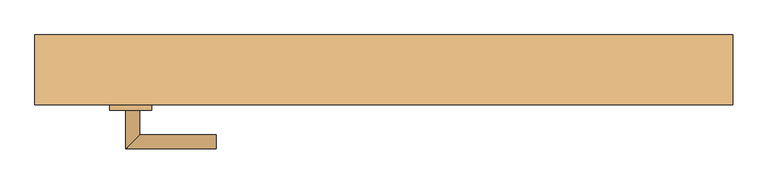
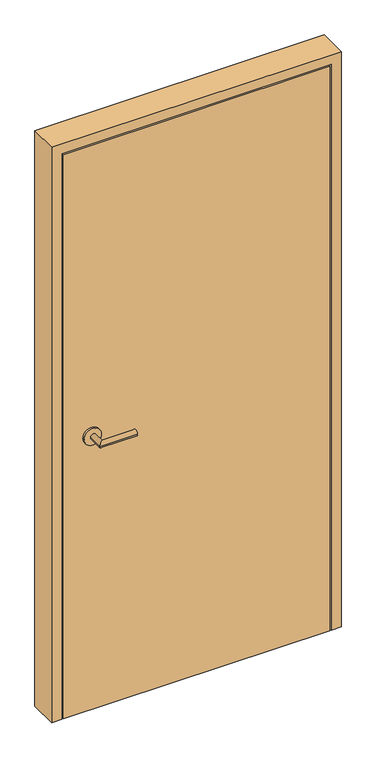
"""IFC4 building model written with IfcOpenShell, lengths in millimetres: door geometry."""

from ifc_helpers import new_model, si_unit, frame, origin, origin_with_axes, place, context, project, spatial, polyline, circle_curve, ellipse_curve, outline, extrude, faceted_brep, source, transform, mapped, element, save
from ifc_brep_helpers import plane_surface, cylinder_surface, advanced_brep


def door_35db22cd(model_context):
    return source(origin(), model_context, "Body", "SolidModel", [
        advanced_brep(
        [(-370.0, -107.0, 1000.0), (-370.0, -52.0, 1000.0), (-350.0, -72.0, 1000.0), (-350.0, -107.0, 1000.0), (-240.0, -52.0, 1000.0), (-240.0, -72.0, 1000.0), (-392.5, -107.0, 1000.0), (-332.5, -107.0, 1000.0), (-392.5, -115.0, 1000.0), (-332.5, -115.0, 1000.0)],
        [
            (0, 1),
            (1, 2, ellipse_curve(frame((-360.0, -62.0, 1000.0), z_axis=(-0.7071067811865561, -0.7071067811865388, 0.0), x_axis=(0.7071067811865388, -0.7071067811865562, 0.0)), 14.1421356, 10.0)),
            (2, 3),
            (3, 0, circle_curve(frame((-360.0, -107.0, 1000.0), z_axis=(0.0, 1.0, 0.0), x_axis=(1.0, 0.0, 0.0)), 10.0)),
            (0, 3, circle_curve(frame((-360.0, -107.0, 1000.0), z_axis=(0.0, 1.0, 0.0), x_axis=(1.0, 0.0, 0.0)), 10.0)),
            (2, 1, ellipse_curve(frame((-360.0, -62.0, 1000.0), z_axis=(-0.7071067811865561, -0.7071067811865388, 0.0), x_axis=(0.7071067811865388, -0.7071067811865562, 0.0)), 14.1421356, 10.0)),
            (4, 5, circle_curve(frame((-240.0, -62.0, 1000.0), z_axis=(1.0, 0.0, 0.0), x_axis=(0.0, -1.0, 0.0)), 10.0)),
            (5, 4, circle_curve(frame((-240.0, -62.0, 1000.0), z_axis=(1.0, 0.0, 0.0), x_axis=(0.0, -1.0, 0.0)), 10.0)),
            (1, 4),
            (5, 2),
            (6, 7, circle_curve(frame((-362.5, -107.0, 1000.0), z_axis=(0.0, 1.0, 0.0), x_axis=(1.0, 0.0, 0.0)), 30.0)),
            (7, 6, circle_curve(frame((-362.5, -107.0, 1000.0), z_axis=(0.0, 1.0, 0.0), x_axis=(1.0, 0.0, 0.0)), 30.0)),
            (8, 9, circle_curve(frame((-362.5, -115.0, 1000.0), z_axis=(0.0, -1.0, 0.0), x_axis=(1.0, 0.0, 0.0)), 30.0)),
            (9, 8, circle_curve(frame((-362.5, -115.0, 1000.0), z_axis=(0.0, -1.0, 0.0), x_axis=(1.0, 0.0, 0.0)), 30.0)),
            (6, 8),
            (9, 7),
        ],
        [
            cylinder_surface(frame((-360.0, -107.0, 1000.0), z_axis=(0.0, -1.0, 0.0), x_axis=(1.0, 0.0, 0.0)), 10.0),
            plane_surface(frame((-240.0, -62.0, 1000.0), z_axis=(1.0, 0.0, 0.0), x_axis=(0.0, 0.0, 1.0))),
            cylinder_surface(frame((-360.0, -62.0, 1000.0), z_axis=(-1.0, 0.0, 0.0), x_axis=(0.0, -1.0, 0.0)), 10.0),
            plane_surface(frame((-332.5, -107.0, 1000.0), z_axis=(0.0, 1.0, 0.0), x_axis=(0.0, 0.0, -1.0))),
            plane_surface(frame((-332.5, -115.0, 1000.0), z_axis=(0.0, -1.0, 0.0), x_axis=(0.0, 0.0, 1.0))),
            cylinder_surface(frame((-362.5, -115.0, 1000.0), z_axis=(0.0, 1.0, 0.0), x_axis=(1.0, 0.0, 0.0)), 30.0),
        ],
        [
            (0, [[1, 2, 3, 4]]),
            (0, [[-1, 5, -3, 6]]),
            (1, [[7, 8]]),
            (2, [[-2, 9, -8, 10]]),
            (2, [[-6, -10, -7, -9]]),
            (3, [[11, 12], [-4, -5]]),
            (4, [[13, 14]]),
            (5, [[-11, 15, -14, 16]]),
            (5, [[-12, -16, -13, -15]]),
        ],
    ),
        advanced_brep(
        [(-370.0, -158.0, 1000.0), (-350.0, -158.0, 1000.0), (-350.0, -193.0, 1000.0), (-370.0, -213.0, 1000.0), (-240.0, -213.0, 1000.0), (-240.0, -193.0, 1000.0), (-392.5, -158.0, 1000.0), (-332.5, -158.0, 1000.0), (-392.5, -150.0, 1000.0), (-332.5, -150.0, 1000.0)],
        [
            (0, 1, circle_curve(frame((-360.0, -158.0, 1000.0), z_axis=(0.0, -1.0, 0.0), x_axis=(1.0, 0.0, 0.0)), 10.0)),
            (1, 2),
            (2, 3, ellipse_curve(frame((-360.0, -203.0, 1000.0), z_axis=(-0.7071067811865379, 0.707106781186557, 0.0), x_axis=(0.7071067811865569, 0.707106781186538, 0.0)), 14.1421356, 10.0)),
            (3, 0),
            (3, 2, ellipse_curve(frame((-360.0, -203.0, 1000.0), z_axis=(-0.7071067811865379, 0.707106781186557, 0.0), x_axis=(0.7071067811865569, 0.707106781186538, 0.0)), 14.1421356, 10.0)),
            (1, 0, circle_curve(frame((-360.0, -158.0, 1000.0), z_axis=(0.0, -1.0, 0.0), x_axis=(1.0, 0.0, 0.0)), 10.0)),
            (4, 5, circle_curve(frame((-240.0, -203.0, 1000.0), z_axis=(1.0, 0.0, 0.0), x_axis=(0.0, 1.0, 0.0)), 10.0)),
            (5, 4, circle_curve(frame((-240.0, -203.0, 1000.0), z_axis=(1.0, 0.0, 0.0), x_axis=(0.0, 1.0, 0.0)), 10.0)),
            (2, 5),
            (4, 3),
            (6, 7, circle_curve(frame((-362.5, -158.0, 1000.0), z_axis=(0.0, -1.0, 0.0), x_axis=(1.0, 0.0, 0.0)), 30.0)),
            (7, 6, circle_curve(frame((-362.5, -158.0, 1000.0), z_axis=(0.0, -1.0, 0.0), x_axis=(1.0, 0.0, 0.0)), 30.0)),
            (8, 9, circle_curve(frame((-362.5, -150.0, 1000.0), z_axis=(0.0, 1.0, 0.0), x_axis=(1.0, 0.0, 0.0)), 30.0)),
            (9, 8, circle_curve(frame((-362.5, -150.0, 1000.0), z_axis=(0.0, 1.0, 0.0), x_axis=(1.0, 0.0, 0.0)), 30.0)),
            (7, 9),
            (8, 6),
        ],
        [
            cylinder_surface(frame((-360.0, -158.0, 1000.0), z_axis=(0.0, 1.0, 0.0), x_axis=(1.0, 0.0, 0.0)), 10.0),
            plane_surface(frame((-240.0, -203.0, 1000.0), z_axis=(1.0, 0.0, 0.0), x_axis=(0.0, 0.0, 1.0))),
            cylinder_surface(frame((-360.0, -203.0, 1000.0), z_axis=(-1.0, 0.0, 0.0), x_axis=(0.0, 1.0, 0.0)), 10.0),
            plane_surface(frame((-332.5, -158.0, 1000.0), z_axis=(0.0, -1.0, 0.0), x_axis=(0.0, 0.0, -1.0))),
            plane_surface(frame((-332.5, -150.0, 1000.0), z_axis=(0.0, 1.0, 0.0), x_axis=(0.0, 0.0, 1.0))),
            cylinder_surface(frame((-362.5, -150.0, 1000.0), z_axis=(0.0, -1.0, 0.0), x_axis=(1.0, 0.0, 0.0)), 30.0),
        ],
        [
            (0, [[1, 2, 3, 4]]),
            (0, [[5, -2, 6, -4]]),
            (1, [[7, 8]]),
            (2, [[9, -7, 10, -3]]),
            (2, [[-10, -8, -9, -5]]),
            (3, [[11, 12], [-6, -1]]),
            (4, [[13, 14]]),
            (5, [[15, -13, 16, -12]]),
            (5, [[-16, -14, -15, -11]]),
        ],
    ),
        extrude(outline(polyline([(-460.0, -150.0), (-460.0, -115.0), (460.0, -115.0), (460.0, -150.0), (-460.0, -150.0)])), origin_with_axes(), (0.0, 0.0, 1.0), 2060.0),
        faceted_brep([(-500.0, -50.0, 0.0), (-450.0, -50.0, 0.0), (-450.0, -115.0, 0.0), (-465.0, -115.0, 0.0), (-465.0, -150.0, 0.0), (-500.0, -150.0, 0.0), (-500.0, -50.0, 2100.0), (500.0, -50.0, 2100.0), (500.0, -50.0, 0.0), (450.0, -50.0, 0.0), (450.0, -50.0, 2050.0), (-450.0, -50.0, 2050.0), (-450.0, -115.0, 2050.0), (450.0, -115.0, 2050.0), (450.0, -115.0, 0.0), (465.0, -115.0, 0.0), (465.0, -115.0, 2065.0), (-465.0, -115.0, 2065.0), (-465.0, -150.0, 2065.0), (465.0, -150.0, 2065.0), (465.0, -150.0, 0.0), (500.0, -150.0, 0.0), (500.0, -150.0, 2100.0), (-500.0, -150.0, 2100.0)], [[[0, 1, 2, 3, 4, 5]], [[1, 0, 6, 7, 8, 9, 10, 11]], [[2, 1, 11, 12]], [[3, 2, 12, 13, 14, 15, 16, 17]], [[4, 3, 17, 18]], [[5, 4, 18, 19, 20, 21, 22, 23]], [[0, 5, 23, 6]], [[12, 11, 10, 13]], [[18, 17, 16, 19]], [[6, 23, 22, 7]], [[8, 21, 20, 15, 14, 9]], [[13, 10, 9, 14]], [[19, 16, 15, 20]], [[7, 22, 21, 8]]]),
    ])


if __name__ == "__main__":
    model = new_model("IFC4")
    model_context = context("Model", 3, world=origin())
    ifc_project = project(units=[si_unit("LENGTHUNIT", "METRE", prefix="MILLI")], contexts=[model_context])
    site = spatial("IfcSite", under=ifc_project)
    building = spatial("IfcBuilding", under=site)
    placement = place(None, origin())
    door_shape = door_35db22cd(model_context)
    element("IfcDoor", 1, at=placement, inside=building, context=model_context, shape_type="MappedRepresentation", body=[
        mapped(door_shape, transform((0.0, 0.0, 0.0), x_axis=(1.0, 0.0, 0.0), y_axis=(0.0, 1.0, 0.0), z_axis=(0.0, 0.0, 1.0))),
    ])
    save(model, "model.ifc")
